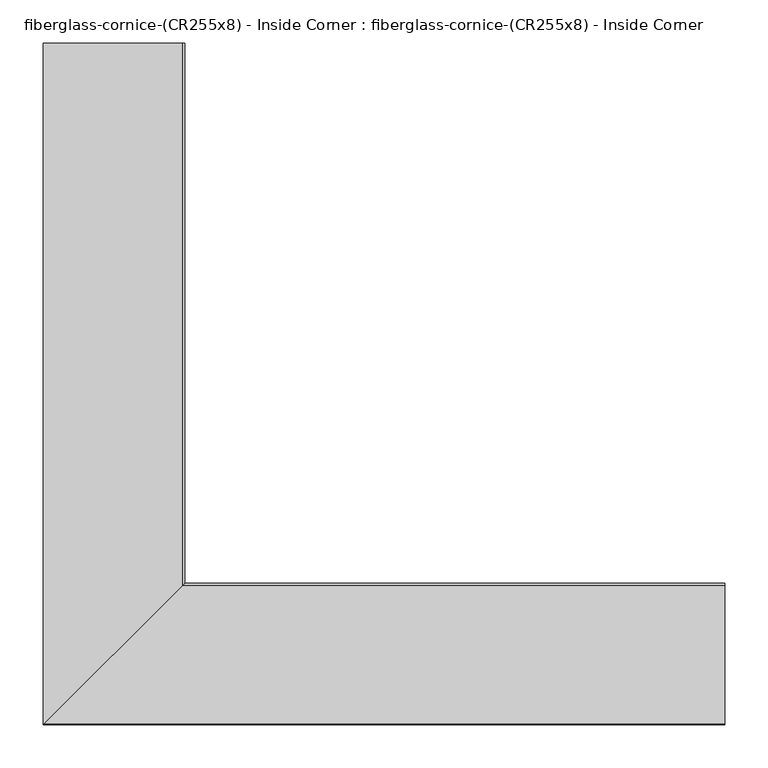
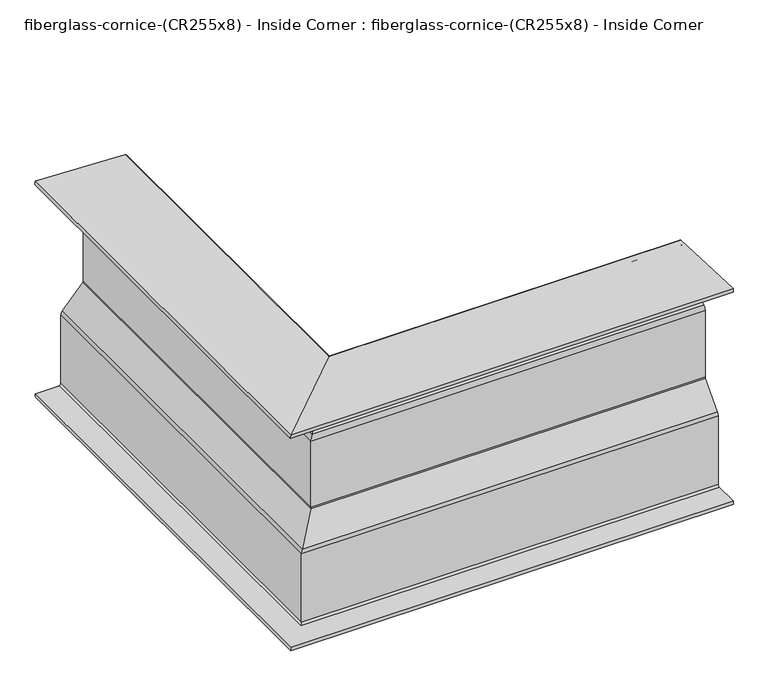
"""IFC4 building model written with IfcOpenShell, lengths in millimetres: furniture geometry, fiberglass-cornice-(CR255x8) - Inside Corner : fiberglass-cornice-(CR255x8) - Inside Corner."""

from ifc_helpers import new_model, si_unit, frame, origin, place, context, project, spatial, polyline, circle_curve, ellipse_curve, source, transform, mapped, element, save
from ifc_brep_helpers import plane_surface, cylinder_surface, revolved_surface, advanced_brep


def fiberglass_cornice_cr255x8_inside_corner_fiberglass_cornice_bd4a2c39(model_context):
    return source(origin(), model_context, "Body", "AdvancedBrep", [
        advanced_brep(
        [(-393.6999938, 888.603125, 330.1999904), (-233.2392858, 888.603125, 323.9685066), (-230.1874938, 888.603125, 320.7958981), (-230.1874938, 888.603125, 284.3388793), (-231.6851354, 888.603125, 281.6431246), (-300.1273523, 888.603125, 239.0568562), (-301.6249938, 888.603125, 236.3611015), (-301.6249938, 888.603125, 109.1611448), (-302.4316418, 888.603125, 107.0465447), (-340.5058459, 888.603125, 64.4034361), (-341.3124938, 888.603125, 62.288836), (-341.3124938, 888.603125, -73.0250096), (-344.4874938, 888.603125, -76.2000096), (-393.6999938, 888.603125, -76.2000096), (-393.6999938, 888.603125, -69.8500096), (-350.8374938, 888.603125, -69.8500096), (-347.6624938, 888.603125, -66.6750096), (-347.6624938, 888.603125, 62.288836), (-345.2425501, 888.603125, 68.6326362), (-308.7816418, 888.603125, 109.4688535), (-307.9749938, 888.603125, 111.5834536), (-307.9749938, 888.603125, 236.3611015), (-303.4820693, 888.603125, 244.4483657), (-238.0351354, 888.603125, 285.1709024), (-236.5374938, 888.603125, 287.8666571), (-236.5374938, 888.603125, 314.6877135), (-239.5892858, 888.603125, 317.860322), (-393.94641, 888.603125, 323.8547734), (393.6999938, 101.203125, 330.1999904), (393.6999938, 100.9567088, 323.8547734), (393.6999938, 255.3138331, 317.860322), (393.6999938, 258.365625, 314.6877135), (393.6999938, 258.365625, 287.8666571), (393.6999938, 256.8679835, 285.1709024), (393.6999938, 191.4210495, 244.4483657), (393.6999938, 186.928125, 236.3611015), (393.6999938, 186.928125, 111.5834536), (393.6999938, 186.1214771, 109.4688535), (393.6999938, 149.6605688, 68.6326362), (393.6999938, 147.240625, 62.288836), (393.6999938, 147.240625, -66.6750096), (393.6999938, 144.065625, -69.8500096), (393.6999938, 101.203125, -69.8500096), (393.6999938, 101.203125, -76.2000096), (393.6999938, 150.415625, -76.2000096), (393.6999938, 153.590625, -73.0250096), (393.6999938, 153.590625, 62.288836), (393.6999938, 154.3972729, 64.4034361), (393.6999938, 192.4714771, 107.0465447), (393.6999938, 193.278125, 109.1611448), (393.6999938, 193.278125, 236.3611015), (393.6999938, 194.7757665, 239.0568562), (393.6999938, 263.2179835, 281.6431246), (393.6999938, 264.715625, 284.3388793), (393.6999938, 264.715625, 320.7958981), (393.6999938, 261.6638331, 323.9685066), (-393.6999938, 101.203125, 330.1999904), (-233.2392858, 261.6638331, 323.9685066), (-230.1874938, 264.715625, 320.7958981), (-230.1874938, 264.715625, 284.3388793), (-231.6851354, 263.2179835, 281.6431246), (-300.1273523, 194.7757665, 239.0568562), (-301.6249938, 193.278125, 236.3611015), (-301.6249938, 193.278125, 109.1611448), (-302.4316418, 192.4714771, 107.0465447), (-340.5058459, 154.3972729, 64.4034361), (-341.3124938, 153.590625, 62.288836), (-341.3124938, 153.590625, -73.0250096), (-344.4874938, 150.415625, -76.2000096), (-393.6999938, 101.203125, -76.2000096), (-393.6999938, 101.203125, -69.8500096), (-350.8374938, 144.065625, -69.8500096), (-347.6624938, 147.240625, -66.6750096), (-347.6624938, 147.240625, 62.288836), (-345.2425501, 149.6605688, 68.6326362), (-308.7816418, 186.1214771, 109.4688535), (-307.9749938, 186.928125, 111.5834536), (-307.9749938, 186.928125, 236.3611015), (-303.4820693, 191.4210495, 244.4483657), (-238.0351354, 256.8679835, 285.1709024), (-236.5374938, 258.365625, 287.8666571), (-236.5374938, 258.365625, 314.6877135), (-239.5892858, 255.3138331, 317.860322), (-393.94641, 100.9567088, 323.8547734)],
        [
            (0, 1),
            (1, 2, circle_curve(frame((-233.3624938, 888.603125, 320.7958981), z_axis=(0.0, 1.0, 0.0), x_axis=(1.0, 0.0, 0.0)), 3.175)),
            (2, 3),
            (3, 4, circle_curve(frame((-233.3624938, 888.603125, 284.3388793), z_axis=(0.0, 1.0, 0.0), x_axis=(1.0, 0.0, 0.0)), 3.175)),
            (4, 5),
            (5, 6, circle_curve(frame((-298.4499938, 888.603125, 236.3611015), z_axis=(0.0, -1.0, 0.0), x_axis=(1.0, 0.0, 0.0)), 3.175)),
            (6, 7),
            (7, 8, circle_curve(frame((-304.7999938, 888.603125, 109.1611448), z_axis=(0.0, 1.0, 0.0), x_axis=(1.0, 0.0, 0.0)), 3.175)),
            (8, 9),
            (9, 10, circle_curve(frame((-338.1374938, 888.603125, 62.288836), z_axis=(0.0, -1.0, 0.0), x_axis=(1.0, 0.0, 0.0)), 3.175)),
            (10, 11),
            (11, 12, circle_curve(frame((-344.4874938, 888.603125, -73.0250096), z_axis=(0.0, 1.0, 0.0), x_axis=(1.0, 0.0, 0.0)), 3.175)),
            (12, 13),
            (13, 14),
            (14, 15),
            (15, 16, circle_curve(frame((-350.8374938, 888.603125, -66.6750096), z_axis=(0.0, -1.0, 0.0), x_axis=(1.0, 0.0, 0.0)), 3.175)),
            (16, 17),
            (17, 18, circle_curve(frame((-338.1374938, 888.603125, 62.288836), z_axis=(0.0, 1.0, 0.0), x_axis=(1.0, 0.0, 0.0)), 9.525)),
            (18, 19),
            (19, 20, circle_curve(frame((-311.1499938, 888.603125, 111.5834536), z_axis=(0.0, -1.0, 0.0), x_axis=(1.0, 0.0, 0.0)), 3.175)),
            (20, 21),
            (21, 22, circle_curve(frame((-298.4499938, 888.603125, 236.3611015), z_axis=(0.0, 1.0, 0.0), x_axis=(1.0, 0.0, 0.0)), 9.525)),
            (22, 23),
            (23, 24, circle_curve(frame((-239.7124938, 888.603125, 287.8666571), z_axis=(0.0, -1.0, 0.0), x_axis=(1.0, 0.0, 0.0)), 3.175)),
            (24, 25),
            (25, 26, circle_curve(frame((-239.7124938, 888.603125, 314.6877135), z_axis=(0.0, -1.0, 0.0), x_axis=(1.0, 0.0, 0.0)), 3.175)),
            (26, 27),
            (27, 0),
            (28, 29),
            (29, 30),
            (30, 31, circle_curve(frame((393.6999938, 255.190625, 314.6877135), z_axis=(-1.0, 0.0, 0.0), x_axis=(0.0, 1.0, 0.0)), 3.175)),
            (31, 32),
            (32, 33, circle_curve(frame((393.6999938, 255.190625, 287.8666571), z_axis=(-1.0, 0.0, 0.0), x_axis=(0.0, 1.0, 0.0)), 3.175)),
            (33, 34),
            (34, 35, circle_curve(frame((393.6999938, 196.453125, 236.3611015), z_axis=(1.0, 0.0, 0.0), x_axis=(0.0, 1.0, 0.0)), 9.525)),
            (35, 36),
            (36, 37, circle_curve(frame((393.6999938, 183.753125, 111.5834536), z_axis=(-1.0, 0.0, 0.0), x_axis=(0.0, 1.0, 0.0)), 3.175)),
            (37, 38),
            (38, 39, circle_curve(frame((393.6999938, 156.765625, 62.288836), z_axis=(1.0, 0.0, 0.0), x_axis=(0.0, 1.0, 0.0)), 9.525)),
            (39, 40),
            (40, 41, circle_curve(frame((393.6999938, 144.065625, -66.6750096), z_axis=(-1.0, 0.0, 0.0), x_axis=(0.0, 1.0, 0.0)), 3.175)),
            (41, 42),
            (42, 43),
            (43, 44),
            (44, 45, circle_curve(frame((393.6999938, 150.415625, -73.0250096), z_axis=(1.0, 0.0, 0.0), x_axis=(0.0, 1.0, 0.0)), 3.175)),
            (45, 46),
            (46, 47, circle_curve(frame((393.6999938, 156.765625, 62.288836), z_axis=(-1.0, 0.0, 0.0), x_axis=(0.0, 1.0, 0.0)), 3.175)),
            (47, 48),
            (48, 49, circle_curve(frame((393.6999938, 190.103125, 109.1611448), z_axis=(1.0, 0.0, 0.0), x_axis=(0.0, 1.0, 0.0)), 3.175)),
            (49, 50),
            (50, 51, circle_curve(frame((393.6999938, 196.453125, 236.3611015), z_axis=(-1.0, 0.0, 0.0), x_axis=(0.0, 1.0, 0.0)), 3.175)),
            (51, 52),
            (52, 53, circle_curve(frame((393.6999938, 261.540625, 284.3388793), z_axis=(1.0, 0.0, 0.0), x_axis=(0.0, 1.0, 0.0)), 3.175)),
            (53, 54),
            (54, 55, circle_curve(frame((393.6999938, 261.540625, 320.7958981), z_axis=(1.0, 0.0, 0.0), x_axis=(0.0, 1.0, 0.0)), 3.175)),
            (55, 28),
            (0, 56),
            (56, 57),
            (57, 1),
            (57, 58, ellipse_curve(frame((-233.3624938, 261.540625, 320.7958981), z_axis=(-0.7071067811865475, 0.7071067811865475, 0.0), x_axis=(0.7071067811865474, 0.7071067811865476, 0.0)), 4.4901281, 3.175)),
            (58, 2),
            (58, 59),
            (59, 3),
            (59, 60, ellipse_curve(frame((-233.3624938, 261.540625, 284.3388793), z_axis=(-0.7071067811865475, 0.7071067811865475, 0.0), x_axis=(0.7071067811865474, 0.7071067811865476, 0.0)), 4.4901281, 3.175)),
            (60, 4),
            (60, 61),
            (61, 5),
            (61, 62, ellipse_curve(frame((-298.4499938, 196.453125, 236.3611015), z_axis=(0.7071067811865475, -0.7071067811865475, 0.0), x_axis=(-0.7071067811865474, -0.7071067811865476, 0.0)), 4.4901281, 3.175)),
            (62, 6),
            (62, 63),
            (63, 7),
            (63, 64, ellipse_curve(frame((-304.7999938, 190.103125, 109.1611448), z_axis=(-0.7071067811865475, 0.7071067811865475, 0.0), x_axis=(0.7071067811865474, 0.7071067811865476, 0.0)), 4.4901281, 3.175)),
            (64, 8),
            (64, 65),
            (65, 9),
            (65, 66, ellipse_curve(frame((-338.1374938, 156.765625, 62.288836), z_axis=(0.7071067811865475, -0.7071067811865475, 0.0), x_axis=(-0.7071067811865474, -0.7071067811865476, 0.0)), 4.4901281, 3.175)),
            (66, 10),
            (66, 67),
            (67, 11),
            (67, 68, ellipse_curve(frame((-344.4874938, 150.415625, -73.0250096), z_axis=(-0.7071067811865475, 0.7071067811865475, 0.0), x_axis=(0.7071067811865474, 0.7071067811865476, 0.0)), 4.4901281, 3.175)),
            (68, 12),
            (68, 44),
            (43, 69),
            (69, 13),
            (69, 70),
            (70, 14),
            (70, 42),
            (41, 71),
            (71, 15),
            (71, 72, ellipse_curve(frame((-350.8374938, 144.065625, -66.6750096), z_axis=(0.7071067811865475, -0.7071067811865475, 0.0), x_axis=(-0.7071067811865474, -0.7071067811865476, 0.0)), 4.4901281, 3.175)),
            (72, 16),
            (72, 73),
            (73, 17),
            (73, 74, ellipse_curve(frame((-338.1374938, 156.765625, 62.288836), z_axis=(-0.7071067811865475, 0.7071067811865475, 0.0), x_axis=(0.7071067811865474, 0.7071067811865476, 0.0)), 13.4703842, 9.525)),
            (74, 18),
            (74, 75),
            (75, 19),
            (75, 76, ellipse_curve(frame((-311.1499938, 183.753125, 111.5834536), z_axis=(0.7071067811865475, -0.7071067811865475, 0.0), x_axis=(-0.7071067811865474, -0.7071067811865476, 0.0)), 4.4901281, 3.175)),
            (76, 20),
            (76, 77),
            (77, 21),
            (77, 78, ellipse_curve(frame((-298.4499938, 196.453125, 236.3611015), z_axis=(-0.7071067811865475, 0.7071067811865475, 0.0), x_axis=(0.7071067811865474, 0.7071067811865476, 0.0)), 13.4703842, 9.525)),
            (78, 22),
            (78, 79),
            (79, 23),
            (79, 80, ellipse_curve(frame((-239.7124938, 255.190625, 287.8666571), z_axis=(0.7071067811865475, -0.7071067811865475, 0.0), x_axis=(-0.7071067811865474, -0.7071067811865476, 0.0)), 4.4901281, 3.175)),
            (80, 24),
            (80, 81),
            (81, 25),
            (81, 82, ellipse_curve(frame((-239.7124938, 255.190625, 314.6877135), z_axis=(0.7071067811865475, -0.7071067811865475, 0.0), x_axis=(-0.7071067811865474, -0.7071067811865476, 0.0)), 4.4901281, 3.175)),
            (82, 26),
            (82, 83),
            (83, 27),
            (83, 56),
            (56, 28),
            (55, 57),
            (54, 58),
            (53, 59),
            (52, 60),
            (51, 61),
            (50, 62),
            (49, 63),
            (48, 64),
            (47, 65),
            (46, 66),
            (45, 67),
            (40, 72),
            (39, 73),
            (38, 74),
            (37, 75),
            (36, 76),
            (35, 77),
            (34, 78),
            (33, 79),
            (32, 80),
            (31, 81),
            (30, 82),
            (29, 83),
        ],
        [
            plane_surface(frame((-393.6999938, 888.603125, 330.1999904), z_axis=(0.0, 1.0, 0.0), x_axis=(0.0, 0.0, 1.0))),
            plane_surface(frame((393.6999938, 101.203125, 330.1999904), z_axis=(1.0, 0.0, 0.0), x_axis=(0.0, 0.0, 1.0))),
            plane_surface(frame((-393.6999938, 888.603125, 330.1999904), z_axis=(0.03880570000581932, 0.0, 0.9992467751496916), x_axis=(0.0, -1.0, 0.0))),
            cylinder_surface(frame((-233.3624938, 888.603125, 320.7958981), z_axis=(0.0, 1.0, 0.0), x_axis=(1.0, 0.0, 0.0)), 3.175),
            plane_surface(frame((-230.1874938, 888.603125, 320.7958981), z_axis=(1.0, 0.0, 0.0), x_axis=(0.0, -1.0, 0.0))),
            cylinder_surface(frame((-233.3624938, 888.603125, 284.3388793), z_axis=(0.0, 1.0, 0.0), x_axis=(1.0, 0.0, 0.0)), 3.175),
            plane_surface(frame((-231.6851354, 888.603125, 281.6431246), z_axis=(0.5283018867924503, 0.0, -0.8490566037735865), x_axis=(0.0, -1.0, 0.0))),
            revolved_surface(polyline([(-295.2749938, 193.27812497209368, 236.3611015), (-295.2749938, 888.603125, 236.3611015)]), (-298.4499938, 888.603125, 236.3611015), (0.0, -1.0, 0.0)),
            plane_surface(frame((-301.6249938, 888.603125, 236.3611015), z_axis=(1.0, 0.0, 0.0), x_axis=(0.0, -1.0, 0.0))),
            cylinder_surface(frame((-304.7999938, 888.603125, 109.1611448), z_axis=(0.0, 1.0, 0.0), x_axis=(1.0, 0.0, 0.0)), 3.175),
            plane_surface(frame((-302.4316418, 888.603125, 107.0465447), z_axis=(0.7459376616259124, 0.0, -0.6660157693088551), x_axis=(0.0, -1.0, 0.0))),
            revolved_surface(polyline([(-334.9624938, 153.59062497209368, 62.288836), (-334.9624938, 888.603125, 62.288836)]), (-338.1374938, 888.603125, 62.288836), (0.0, -1.0, 0.0)),
            plane_surface(frame((-341.3124938, 888.603125, 62.288836), z_axis=(1.0, 0.0, 0.0), x_axis=(0.0, -1.0, 0.0))),
            cylinder_surface(frame((-344.4874938, 888.603125, -73.0250096), z_axis=(0.0, 1.0, 0.0), x_axis=(1.0, 0.0, 0.0)), 3.175),
            plane_surface(frame((-344.4874938, 888.603125, -76.2000096), z_axis=(0.0, 0.0, -1.0), x_axis=(0.0, -1.0, 0.0))),
            plane_surface(frame((-393.6999938, 888.603125, -76.2000096), z_axis=(-1.0, 0.0, 0.0), x_axis=(0.0, -1.0, 0.0))),
            plane_surface(frame((-393.6999938, 888.603125, -69.8500096), z_axis=(0.0, 0.0, 1.0), x_axis=(0.0, -1.0, 0.0))),
            revolved_surface(polyline([(-347.6624938, 140.89062497209375, -66.6750096), (-347.6624938, 888.603125, -66.6750096)]), (-350.8374938, 888.603125, -66.6750096), (0.0, -1.0, 0.0)),
            plane_surface(frame((-347.6624938, 888.603125, -66.6750096), z_axis=(-1.0, 0.0, 0.0), x_axis=(0.0, -1.0, 0.0))),
            cylinder_surface(frame((-338.1374938, 888.603125, 62.288836), z_axis=(0.0, 1.0, 0.0), x_axis=(1.0, 0.0, 0.0)), 9.525),
            plane_surface(frame((-345.2425501, 888.603125, 68.6326362), z_axis=(-0.7459376616259149, 0.0, 0.6660157693088522), x_axis=(0.0, -1.0, 0.0))),
            revolved_surface(polyline([(-307.9749938, 180.57812497209375, 111.5834536), (-307.9749938, 888.603125, 111.5834536)]), (-311.1499938, 888.603125, 111.5834536), (0.0, -1.0, 0.0)),
            plane_surface(frame((-307.9749938, 888.603125, 111.5834536), z_axis=(-1.0, 0.0, 0.0), x_axis=(0.0, -1.0, 0.0))),
            cylinder_surface(frame((-298.4499938, 888.603125, 236.3611015), z_axis=(0.0, 1.0, 0.0), x_axis=(1.0, 0.0, 0.0)), 9.525),
            plane_surface(frame((-303.4820693, 888.603125, 244.4483657), z_axis=(-0.5283018867924609, 0.0, 0.8490566037735798), x_axis=(0.0, -1.0, 0.0))),
            revolved_surface(polyline([(-236.5374938, 252.01562497209375, 287.8666571), (-236.5374938, 888.603125, 287.8666571)]), (-239.7124938, 888.603125, 287.8666571), (0.0, -1.0, 0.0)),
            plane_surface(frame((-236.5374938, 888.603125, 287.8666571), z_axis=(-1.0, 0.0, 0.0), x_axis=(0.0, -1.0, 0.0))),
            revolved_surface(polyline([(-236.5374938, 252.01562497209375, 314.6877135), (-236.5374938, 888.603125, 314.6877135)]), (-239.7124938, 888.603125, 314.6877135), (0.0, -1.0, 0.0)),
            plane_surface(frame((-239.5892858, 888.603125, 317.860322), z_axis=(-0.03880570000581844, 0.0, -0.9992467751496916), x_axis=(0.0, -1.0, 0.0))),
            plane_surface(frame((-393.94641, 888.603125, 323.8547734), z_axis=(-0.9992467751496854, 0.0, 0.03880570000598025), x_axis=(0.0, -1.0, 0.0))),
            plane_surface(frame((-393.6999938, 101.203125, 330.1999904), z_axis=(0.0, 0.03880570000581932, 0.9992467751496916), x_axis=(1.0, 0.0, 0.0))),
            cylinder_surface(frame((-393.6999938, 261.540625, 320.7958981), z_axis=(-1.0, 0.0, 0.0), x_axis=(0.0, 1.0, 0.0)), 3.175),
            plane_surface(frame((-230.1874938, 264.715625, 320.7958981), z_axis=(0.0, 1.0, 0.0), x_axis=(1.0, 0.0, 0.0))),
            cylinder_surface(frame((-393.6999938, 261.540625, 284.3388793), z_axis=(-1.0, 0.0, 0.0), x_axis=(0.0, 1.0, 0.0)), 3.175),
            plane_surface(frame((-231.6851354, 263.2179835, 281.6431246), z_axis=(0.0, 0.5283018867924503, -0.8490566037735865), x_axis=(1.0, 0.0, 0.0))),
            revolved_surface(polyline([(393.6999938, 199.628125, 236.3611015), (-301.6249938279063, 199.628125, 236.3611015)]), (-393.6999938, 196.453125, 236.3611015), (1.0, 0.0, 0.0)),
            plane_surface(frame((-301.6249938, 193.278125, 236.3611015), z_axis=(0.0, 1.0, 0.0), x_axis=(1.0, 0.0, 0.0))),
            cylinder_surface(frame((-393.6999938, 190.103125, 109.1611448), z_axis=(-1.0, 0.0, 0.0), x_axis=(0.0, 1.0, 0.0)), 3.175),
            plane_surface(frame((-302.4316418, 192.4714771, 107.0465447), z_axis=(0.0, 0.7459376616259124, -0.6660157693088551), x_axis=(1.0, 0.0, 0.0))),
            revolved_surface(polyline([(393.6999938, 159.940625, 62.288836), (-341.3124938279063, 159.940625, 62.288836)]), (-393.6999938, 156.765625, 62.288836), (1.0, 0.0, 0.0)),
            plane_surface(frame((-341.3124938, 153.590625, 62.288836), z_axis=(0.0, 1.0, 0.0), x_axis=(1.0, 0.0, 0.0))),
            cylinder_surface(frame((-393.6999938, 150.415625, -73.0250096), z_axis=(-1.0, 0.0, 0.0), x_axis=(0.0, 1.0, 0.0)), 3.175),
            plane_surface(frame((-393.6999938, 101.203125, -76.2000096), z_axis=(0.0, -1.0, 0.0), x_axis=(1.0, 0.0, 0.0))),
            revolved_surface(polyline([(393.6999938, 147.24062500000002, -66.6750096), (-354.01249382790627, 147.24062500000002, -66.6750096)]), (-393.6999938, 144.065625, -66.6750096), (1.0, 0.0, 0.0)),
            plane_surface(frame((-347.6624938, 147.240625, -66.6750096), z_axis=(0.0, -1.0, 0.0), x_axis=(1.0, 0.0, 0.0))),
            cylinder_surface(frame((-393.6999938, 156.765625, 62.288836), z_axis=(-1.0, 0.0, 0.0), x_axis=(0.0, 1.0, 0.0)), 9.525),
            plane_surface(frame((-345.2425501, 149.6605688, 68.6326362), z_axis=(0.0, -0.7459376616259149, 0.6660157693088522), x_axis=(1.0, 0.0, 0.0))),
            revolved_surface(polyline([(393.6999938, 186.92812500000002, 111.5834536), (-314.32499382790627, 186.92812500000002, 111.5834536)]), (-393.6999938, 183.753125, 111.5834536), (1.0, 0.0, 0.0)),
            plane_surface(frame((-307.9749938, 186.928125, 111.5834536), z_axis=(0.0, -1.0, 0.0), x_axis=(1.0, 0.0, 0.0))),
            cylinder_surface(frame((-393.6999938, 196.453125, 236.3611015), z_axis=(-1.0, 0.0, 0.0), x_axis=(0.0, 1.0, 0.0)), 9.525),
            plane_surface(frame((-303.4820693, 191.4210495, 244.4483657), z_axis=(0.0, -0.5283018867924609, 0.8490566037735798), x_axis=(1.0, 0.0, 0.0))),
            revolved_surface(polyline([(393.6999938, 258.365625, 287.8666571), (-242.88749382790627, 258.365625, 287.8666571)]), (-393.6999938, 255.190625, 287.8666571), (1.0, 0.0, 0.0)),
            plane_surface(frame((-236.5374938, 258.365625, 287.8666571), z_axis=(0.0, -1.0, 0.0), x_axis=(1.0, 0.0, 0.0))),
            revolved_surface(polyline([(393.6999938, 258.365625, 314.6877135), (-242.88749382790627, 258.365625, 314.6877135)]), (-393.6999938, 255.190625, 314.6877135), (1.0, 0.0, 0.0)),
            plane_surface(frame((-239.5892858, 255.3138331, 317.860322), z_axis=(0.0, -0.03880570000581844, -0.9992467751496916), x_axis=(1.0, 0.0, 0.0))),
            plane_surface(frame((-393.94641, 100.9567088, 323.8547734), z_axis=(0.0, -0.9992467751496854, 0.03880570000598025), x_axis=(1.0, 0.0, 0.0))),
        ],
        [
            (0, [[1, 2, 3, 4, 5, 6, 7, 8, 9, 10, 11, 12, 13, 14, 15, 16, 17, 18, 19, 20, 21, 22, 23, 24, 25, 26, 27, 28]]),
            (1, [[29, 30, 31, 32, 33, 34, 35, 36, 37, 38, 39, 40, 41, 42, 43, 44, 45, 46, 47, 48, 49, 50, 51, 52, 53, 54, 55, 56]]),
            (2, [[-1, 57, 58, 59]]),
            (3, [[-2, -59, 60, 61]]),
            (4, [[-3, -61, 62, 63]]),
            (5, [[-4, -63, 64, 65]]),
            (6, [[-5, -65, 66, 67]]),
            (7, [[-6, -67, 68, 69]]),
            (8, [[-7, -69, 70, 71]]),
            (9, [[-8, -71, 72, 73]]),
            (10, [[-9, -73, 74, 75]]),
            (11, [[-10, -75, 76, 77]]),
            (12, [[-11, -77, 78, 79]]),
            (13, [[-12, -79, 80, 81]]),
            (14, [[-13, -81, 82, -44, 83, 84]]),
            (15, [[-14, -84, 85, 86]]),
            (16, [[-15, -86, 87, -42, 88, 89]]),
            (17, [[-16, -89, 90, 91]]),
            (18, [[-17, -91, 92, 93]]),
            (19, [[-18, -93, 94, 95]]),
            (20, [[-19, -95, 96, 97]]),
            (21, [[-20, -97, 98, 99]]),
            (22, [[-21, -99, 100, 101]]),
            (23, [[-22, -101, 102, 103]]),
            (24, [[-23, -103, 104, 105]]),
            (25, [[-24, -105, 106, 107]]),
            (26, [[-25, -107, 108, 109]]),
            (27, [[-26, -109, 110, 111]]),
            (28, [[-27, -111, 112, 113]]),
            (29, [[-28, -113, 114, -57]]),
            (30, [[-58, 115, -56, 116]]),
            (31, [[-60, -116, -55, 117]]),
            (32, [[-62, -117, -54, 118]]),
            (33, [[-64, -118, -53, 119]]),
            (34, [[-66, -119, -52, 120]]),
            (35, [[-68, -120, -51, 121]]),
            (36, [[-70, -121, -50, 122]]),
            (37, [[-72, -122, -49, 123]]),
            (38, [[-74, -123, -48, 124]]),
            (39, [[-76, -124, -47, 125]]),
            (40, [[-78, -125, -46, 126]]),
            (41, [[-80, -126, -45, -82]]),
            (42, [[-85, -83, -43, -87]]),
            (43, [[-90, -88, -41, 127]]),
            (44, [[-92, -127, -40, 128]]),
            (45, [[-94, -128, -39, 129]]),
            (46, [[-96, -129, -38, 130]]),
            (47, [[-98, -130, -37, 131]]),
            (48, [[-100, -131, -36, 132]]),
            (49, [[-102, -132, -35, 133]]),
            (50, [[-104, -133, -34, 134]]),
            (51, [[-106, -134, -33, 135]]),
            (52, [[-108, -135, -32, 136]]),
            (53, [[-110, -136, -31, 137]]),
            (54, [[-112, -137, -30, 138]]),
            (55, [[-114, -138, -29, -115]]),
        ],
    ),
    ])


if __name__ == "__main__":
    model = new_model("IFC4")
    model_context = context("Model", 3, world=origin())
    ifc_project = project(units=[si_unit("LENGTHUNIT", "METRE", prefix="MILLI")], contexts=[model_context])
    site = spatial("IfcSite", under=ifc_project)
    building = spatial("IfcBuilding", under=site)
    placement = place(None, origin())
    fiberglass_cornice_cr255x8_inside_corner_fiberglass_cornice_shape = fiberglass_cornice_cr255x8_inside_corner_fiberglass_cornice_bd4a2c39(model_context)
    element("IfcFurniture", 1, ObjectType="fiberglass-cornice-(CR255x8) - Inside Corner : fiberglass-cornice-(CR255x8) - Inside Corner", at=placement, inside=building, context=model_context, shape_type="MappedRepresentation", body=[
        mapped(fiberglass_cornice_cr255x8_inside_corner_fiberglass_cornice_shape, transform((0.0, 0.0, 0.0), x_axis=(1.0, 0.0, 0.0), y_axis=(0.0, 1.0, 0.0), z_axis=(0.0, 0.0, 1.0))),
    ])
    save(model, "model.ifc")
